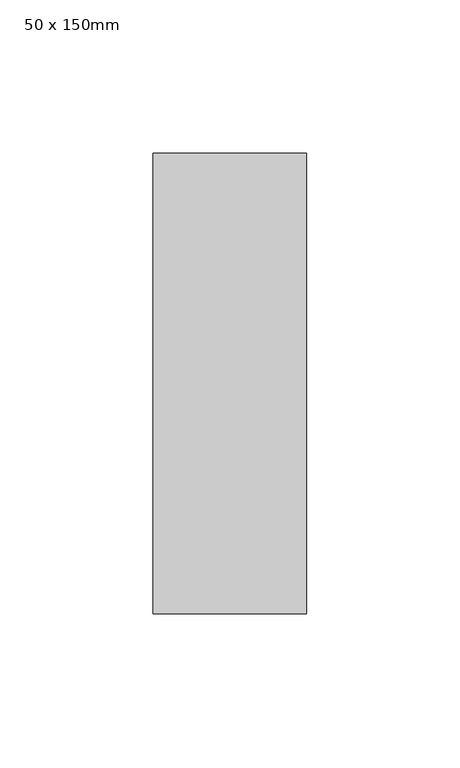
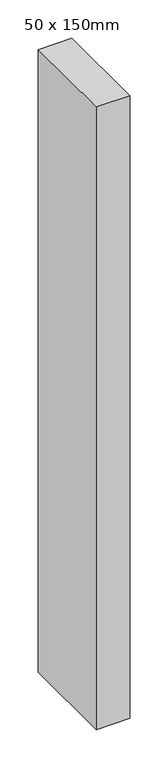
"""IFC4 building model written with IfcOpenShell, lengths in millimetres: member geometry, 50 x 150mm."""

from ifc_helpers import new_model, si_unit, frame, origin, place, context, project, spatial, polyline, outline, extrude, source, transform, mapped, element, save


def member_50_x_150mm_ed48305a(model_context):
    return source(origin(), model_context, "Body", "SweptSolid", [
        extrude(outline(polyline([(0.0, 75.0), (0.0, -75.0), (-50.0, -75.0), (-50.0, 75.0), (0.0, 75.0)])), frame((0.0, 0.0, -987.7734488), z_axis=(0.0, 0.0, 1.0), x_axis=(1.0, 0.0, 0.0)), (0.0, 0.0, 1.0), 987.7734488),
    ])


if __name__ == "__main__":
    model = new_model("IFC4")
    model_context = context("Model", 3, world=origin())
    ifc_project = project(units=[si_unit("LENGTHUNIT", "METRE", prefix="MILLI")], contexts=[model_context])
    site = spatial("IfcSite", under=ifc_project)
    building = spatial("IfcBuilding", under=site)
    placement = place(None, origin())
    member_50_x_150mm_shape = member_50_x_150mm_ed48305a(model_context)
    element("IfcMember", 1, ObjectType="50 x 150mm", at=placement, inside=building, context=model_context, shape_type="MappedRepresentation", body=[
        mapped(member_50_x_150mm_shape, transform((0.0, 0.0, 0.0), x_axis=(1.0, 0.0, 0.0), y_axis=(0.0, 1.0, 0.0), z_axis=(0.0, 0.0, 1.0))),
    ])
    save(model, "model.ifc")
